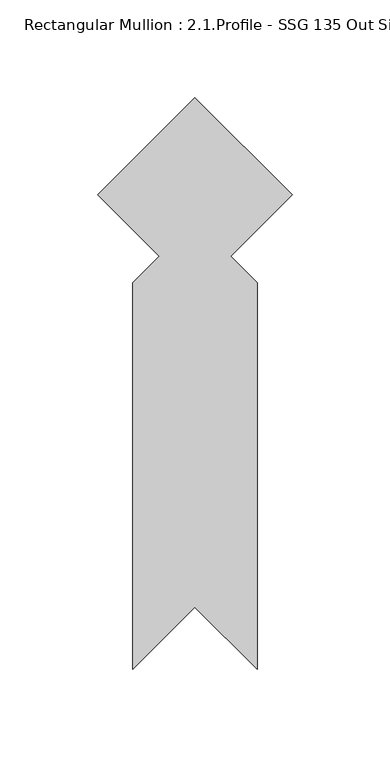
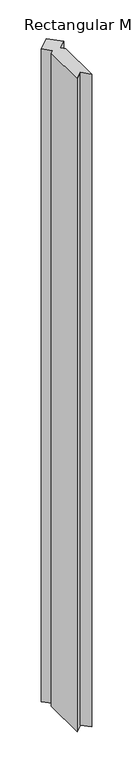
"""IFC4 building model written with IfcOpenShell, lengths in millimetres: member geometry, Rectangular Mullion : 2.1.Profile - SSG 135 Out Side Corner 1 3-4 Infill Detail-8A."""

from ifc_helpers import new_model, si_unit, frame, origin, place, context, project, spatial, polyline, outline, extrude, source, transform, mapped, element, save


def rectangular_mullion_2_1_profile_ssg_135_out_side_corner_1_3_ef8b3cb7(model_context):
    return source(origin(), model_context, "Body", "SweptSolid", [
        extrude(outline(polyline([(-17.9598398, -94.7525969), (-49.7098397, -63.002597), (-81.4598398, -94.7525971), (-81.4598398, 102.8420929), (-68.0039832, 116.2979495), (-99.4196796, 147.7136458), (-49.7098398, 197.4234856), (0.0, 147.7136458), (-31.4018782, 116.3117676), (-17.9598398, 102.8697292), (-17.9598398, -94.7525969)])), frame((0.0, 0.0, -3048.0), z_axis=(0.0, 0.0, 1.0), x_axis=(1.0, 0.0, 0.0)), (0.0, 0.0, 1.0), 3048.0),
    ])


if __name__ == "__main__":
    model = new_model("IFC4")
    model_context = context("Model", 3, world=origin())
    ifc_project = project(units=[si_unit("LENGTHUNIT", "METRE", prefix="MILLI")], contexts=[model_context])
    site = spatial("IfcSite", under=ifc_project)
    building = spatial("IfcBuilding", under=site)
    placement = place(None, origin())
    rectangular_mullion_2_1_profile_ssg_135_out_side_corner_1_3_shape = rectangular_mullion_2_1_profile_ssg_135_out_side_corner_1_3_ef8b3cb7(model_context)
    element("IfcMember", 1, ObjectType="Rectangular Mullion : 2.1.Profile - SSG 135 Out Side Corner 1 3-4 Infill Detail-8A", at=placement, inside=building, context=model_context, shape_type="MappedRepresentation", body=[
        mapped(rectangular_mullion_2_1_profile_ssg_135_out_side_corner_1_3_shape, transform((0.0, 0.0, 0.0), x_axis=(1.0, 0.0, 0.0), y_axis=(0.0, 1.0, 0.0), z_axis=(0.0, 0.0, 1.0))),
    ])
    save(model, "model.ifc")
